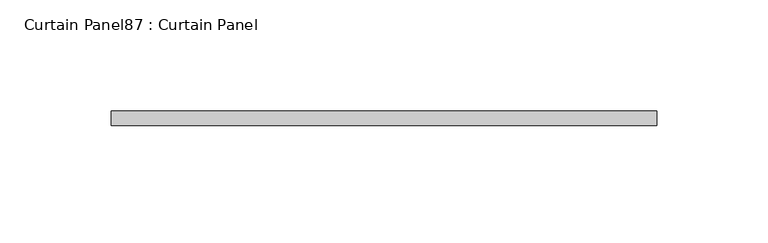
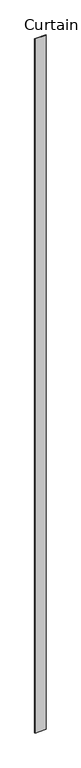
"""IFC4 building model written with IfcOpenShell, lengths in millimetres: plate geometry, Curtain Panel87 : Curtain Panel."""

from ifc_helpers import new_model, si_unit, frame, origin, place, context, project, spatial, polyline, outline, extrude, source, transform, mapped, element, save


def curtain_panel87_curtain_panel_47593a2a(model_context):
    return source(origin(), model_context, "Body", "SweptSolid", [
        extrude(outline(polyline([(174514.7812197, 7974.6084949), (174270.1950674, 7974.6084949), (174270.1950674, 7980.9584949), (174514.7812197, 7980.9584949), (174514.7812197, 7974.6084949)])), frame((0.0, 0.0, 1433.7679301), z_axis=(0.0, 0.0, 1.0), x_axis=(1.0, 0.0, 0.0)), (0.0, 0.0, 1.0), 15837.0064664),
    ])


if __name__ == "__main__":
    model = new_model("IFC4")
    model_context = context("Model", 3, world=origin())
    ifc_project = project(units=[si_unit("LENGTHUNIT", "METRE", prefix="MILLI")], contexts=[model_context])
    site = spatial("IfcSite", under=ifc_project)
    building = spatial("IfcBuilding", under=site)
    placement = place(None, origin())
    curtain_panel87_curtain_panel_shape = curtain_panel87_curtain_panel_47593a2a(model_context)
    element("IfcPlate", 1, ObjectType="Curtain Panel87 : Curtain Panel", at=placement, inside=building, context=model_context, shape_type="MappedRepresentation", body=[
        mapped(curtain_panel87_curtain_panel_shape, transform((0.0, 0.0, 0.0), x_axis=(1.0, 0.0, 0.0), y_axis=(0.0, 1.0, 0.0), z_axis=(0.0, 0.0, 1.0))),
    ])
    save(model, "model.ifc")
